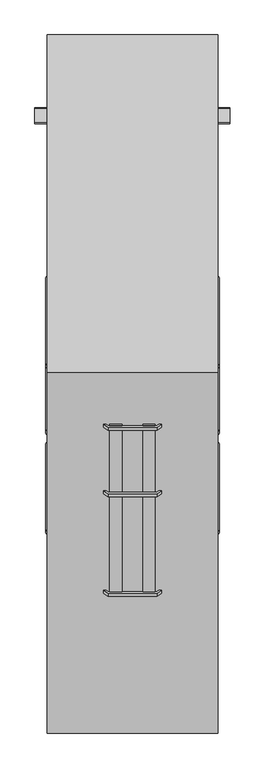
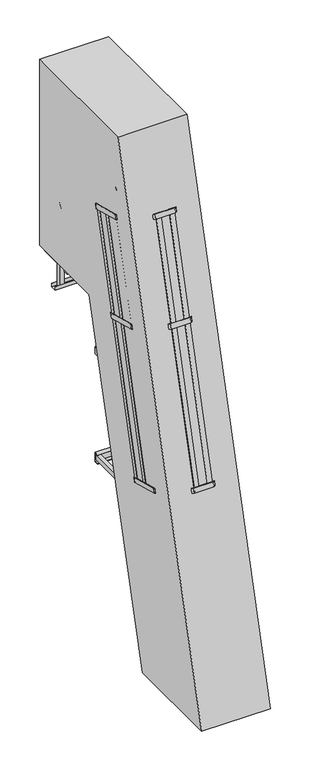
"""IFC4 building model written with IfcOpenShell, lengths in millimetres: proxy geometry."""

from ifc_helpers import new_model, si_unit, point, frame, frame_2d, origin, place, context, project, spatial, polyline, circle_curve, ellipse_curve, trimmed, segment, composite_curve, outline, extrude, faceted_brep, source, transform, mapped, element, save
from ifc_brep_helpers import plane_surface, cylinder_surface, revolved_surface, advanced_brep


def specialty_equipment_0b8a7647(model_context):
    return source(origin(), model_context, "Body", "SolidModel", [
        extrude(outline(polyline([(0.0, 0.0), (50.0, 0.0), (50.0, -12.0), (0.0, -12.0), (0.0, 0.0)])), frame((-350.5, -890.2131523, 2027.6512779), z_axis=(0.0, 0.2588190451025218, 0.9659258262890681), x_axis=(0.0, 0.9659258262890681, -0.2588190451025218)), (0.0, 0.0, 1.0), 2673.4666314),
        extrude(outline(polyline([(155.1413289, 0.0), (205.141329, 0.0), (205.141329, -12.0), (155.1413289, -12.0), (155.1413289, 0.0)])), frame((-350.5, -890.2131523, 2027.6512779), z_axis=(0.0, 0.2588190451025218, 0.9659258262890681), x_axis=(0.0, 0.9659258262890681, -0.2588190451025218)), (0.0, 0.0, 1.0), 2673.4666314),
        extrude(outline(polyline([(-689.6938017, 0.0), (-508.9999999, 0.0), (-326.6307118, -82.9303487), (-125.331423, -385.8857785), (-123.1191169, -480.465669), (-65.9701383, -566.4748818), (-70.9675427, -569.7954163), (-129.0768962, -482.3408392), (-131.2892023, -387.7609487), (-330.6777006, -87.6812588), (-510.3001578, -6.0), (-687.8821736, -6.0), (-851.4445075, -114.6792916), (-920.2481735, -278.3907082), (-914.5411146, -475.6303711), (-715.1526164, -775.710061), (-628.8173362, -814.3942877), (-570.7079827, -901.8488647), (-575.7053871, -905.1693992), (-632.8543656, -819.1601865), (-719.1896458, -780.4759598), (-920.4889347, -477.52053), (-926.2832673, -277.2646295), (-856.2739484, -110.6844828), (-689.6938017, 0.0)])), frame((-674.4464732, -521.7680377, 3557.8992312), z_axis=(0.0, 0.2588190451025218, 0.9659258262890681), x_axis=(-0.8329007332923329, 0.5345650026725307, -0.1432362607680447)), (0.0, 0.0, 1.0), 50.0),
        extrude(outline(polyline([(273.0, 0.0), (423.5, -100.0), (529.5, -270.0), (529.5, -633.7353379), (479.0, -713.7353379), (479.0, -817.0), (473.0, -817.0), (473.0, -712.0), (523.5, -632.0), (523.5, -271.7173421), (419.0965631, -104.2778679), (271.1883719, -6.0), (74.8116281, -6.0), (-73.0965631, -104.2778679), (-177.5, -271.7173421), (-177.5, -632.0), (-127.0, -712.0), (-127.0, -817.0), (-133.0, -817.0), (-133.0, -713.7353379), (-183.5, -633.7353379), (-183.5, -270.0), (-77.5, -100.0), (73.0, 0.0), (273.0, 0.0)])), frame((173.0, -1297.6973377, 2136.8363363), z_axis=(0.0, 0.2588190451025218, 0.9659258262890681), x_axis=(-1.0, 0.0, 0.0)), (0.0, 0.0, 1.0), 50.0),
        extrude(outline(polyline([(-6.6130211, 0.0), (5.3869788, 0.0), (5.3869788, -50.0), (-6.6130211, -50.0), (-6.6130211, 0.0)])), frame((-93.1883719, -1285.5140949, 2133.5718462), z_axis=(0.0, 0.2588190451025218, 0.9659258262890681), x_axis=(0.0, 0.9659258262890681, -0.2588190451025218)), (0.0, 0.0, 1.0), 2673.4666314),
        extrude(outline(polyline([(218.7828094, 218.028353), (212.433594, 228.2110571), (254.8615277, 254.6661216), (261.2107431, 244.4834176), (218.7828094, 218.028353)])), frame((-93.1883719, -1285.5140949, 2133.5718462), z_axis=(0.0, 0.2588190451025218, 0.9659258262890681), x_axis=(0.0, 0.9659258262890681, -0.2588190451025218)), (0.0, 0.0, 1.0), 2673.4666314),
        extrude(outline(polyline([(61.2266141, 107.0986509), (88.8977348, 148.7436876), (98.8925436, 142.1026186), (71.2214228, 100.4575819), (61.2266141, 107.0986509)])), frame((-93.1883719, -1285.5140949, 2133.5718462), z_axis=(0.0, 0.2588190451025218, 0.9659258262890681), x_axis=(0.0, 0.9659258262890681, -0.2588190451025218)), (0.0, 0.0, 1.0), 2673.4666314),
        extrude(outline(polyline([(-6.6130211, -186.3767438), (-6.6130211, -136.3767438), (5.3869788, -136.3767438), (5.3869788, -186.3767438), (-6.6130211, -186.3767438)])), frame((-93.1883719, -1285.5140949, 2133.5718462), z_axis=(0.0, 0.2588190451025218, 0.9659258262890681), x_axis=(0.0, 0.9659258262890681, -0.2588190451025218)), (0.0, 0.0, 1.0), 2673.4666314),
        extrude(outline(polyline([(218.7828094, -404.4050968), (261.2107431, -430.8601614), (254.8615277, -441.0428654), (212.433594, -414.5878009), (218.7828094, -404.4050968)])), frame((-93.1883719, -1285.5140949, 2133.5718462), z_axis=(0.0, 0.2588190451025218, 0.9659258262890681), x_axis=(0.0, 0.9659258262890681, -0.2588190451025218)), (0.0, 0.0, 1.0), 2673.4666314),
        extrude(outline(polyline([(61.2266141, -293.4753947), (71.2214228, -286.8343257), (98.8925436, -328.4793624), (88.8977348, -335.1204314), (61.2266141, -293.4753947)])), frame((-93.1883719, -1285.5140949, 2133.5718462), z_axis=(0.0, 0.2588190451025218, 0.9659258262890681), x_axis=(0.0, 0.9659258262890681, -0.2588190451025218)), (0.0, 0.0, 1.0), 2673.4666314),
        extrude(outline(polyline([(409.24565, -443.6883719), (409.24565, -431.6883719), (459.24565, -431.6883719), (459.24565, -443.6883719), (409.24565, -443.6883719)])), frame((-93.1883719, -1285.5140949, 2133.5718462), z_axis=(0.0, 0.2588190451025218, 0.9659258262890681), x_axis=(0.0, 0.9659258262890681, -0.2588190451025218)), (0.0, 0.0, 1.0), 2673.4666314),
        extrude(outline(polyline([(564.3869788, -443.6883719), (564.3869788, -431.6883719), (614.3869789, -431.6883719), (614.3869789, -443.6883719), (564.3869788, -443.6883719)])), frame((-93.1883719, -1285.5140949, 2133.5718462), z_axis=(0.0, 0.2588190451025218, 0.9659258262890681), x_axis=(0.0, 0.9659258262890681, -0.2588190451025218)), (0.0, 0.0, 1.0), 2673.4666314),
        extrude(outline(polyline([(-689.6938017, 0.0), (-509.0, 1e-07), (-326.6307118, -82.9303487), (-125.331423, -385.8857784), (-123.1191169, -480.465669), (-65.9701383, -566.4748818), (-70.9675427, -569.7954163), (-129.0768962, -482.3408392), (-131.2892023, -387.7609487), (-330.6777006, -87.6812587), (-510.3001578, -6.0), (-687.8821737, -5.9999999), (-851.4445076, -114.6792916), (-920.2481735, -278.3907081), (-914.5411146, -475.630371), (-715.1526164, -775.710061), (-628.8173362, -814.3942877), (-570.7079827, -901.8488647), (-575.7053871, -905.1693992), (-632.8543657, -819.1601864), (-719.1896459, -780.4759597), (-920.4889347, -477.52053), (-926.2832674, -277.2646294), (-856.2739484, -110.6844828), (-689.6938017, 0.0)])), frame((-674.4464732, -250.0080403, 4572.1213488), z_axis=(0.0, 0.2588190451025218, 0.965925826289068), x_axis=(-0.832900733292333, 0.5345650026725307, -0.1432362607680447)), (0.0, 0.0, 1.0), 50.0),
        extrude(outline(composite_curve([segment(polyline([(-216.6799282, 3198.1285392), (-212.2800044, 3214.5492783)]), True, "CONTINUOUS"), segment(trimmed(circle_curve(frame_2d((-193.903855, 3196.1966773)), 25.9711538), [point((-212.2800044, 3214.5492783))], [point((-168.8133422, 3202.9024213))], False, "CARTESIAN"), True, "CONTINUOUS"), segment(polyline([(-168.8133422, 3202.9024213), (-173.213266, 3186.4816822), (-216.6799282, 3198.1285392)]), True, "CONTINUOUS")], self_intersect=False)), frame((-262.0, 0.0, 0.0), z_axis=(1.0, 0.0, 0.0), x_axis=(0.0, 1.0, 0.0)), (0.0, 0.0, 1.0), 524.0),
        extrude(outline(composite_curve([segment(polyline([(-291.3619539, 2919.4114248), (-286.9620302, 2935.8321638)]), True, "CONTINUOUS"), segment(trimmed(circle_curve(frame_2d((-268.5858807, 2917.4795628)), 25.9711538), [point((-286.9620302, 2935.8321638))], [point((-243.495368, 2924.1853068))], False, "CARTESIAN"), True, "CONTINUOUS"), segment(polyline([(-243.495368, 2924.1853068), (-247.8952917, 2907.7645677), (-291.3619539, 2919.4114248)]), True, "CONTINUOUS")], self_intersect=False)), frame((-262.0, 0.0, 0.0), z_axis=(1.0, 0.0, 0.0), x_axis=(0.0, 1.0, 0.0)), (0.0, 0.0, 1.0), 524.0),
        extrude(outline(composite_curve([segment(polyline([(-366.0439797, 2640.6943103), (-361.6440559, 2657.1150493)]), True, "CONTINUOUS"), segment(trimmed(circle_curve(frame_2d((-343.2679065, 2638.7624483)), 25.9711538), [point((-361.6440559, 2657.1150493))], [point((-318.1773937, 2645.4681923))], False, "CARTESIAN"), True, "CONTINUOUS"), segment(polyline([(-318.1773937, 2645.4681923), (-322.5773175, 2629.0474533), (-366.0439797, 2640.6943103)]), True, "CONTINUOUS")], self_intersect=False)), frame((-262.0, 0.0, 0.0), z_axis=(1.0, 0.0, 0.0), x_axis=(0.0, 1.0, 0.0)), (0.0, 0.0, 1.0), 524.0),
        extrude(outline(composite_curve([segment(polyline([(-440.7260054, 2361.9771958), (-436.3260816, 2378.3979349)]), True, "CONTINUOUS"), segment(trimmed(circle_curve(frame_2d((-417.9499322, 2360.0453338)), 25.9711538), [point((-436.3260816, 2378.3979349))], [point((-392.8594195, 2366.7510778))], False, "CARTESIAN"), True, "CONTINUOUS"), segment(polyline([(-392.8594195, 2366.7510778), (-397.2593432, 2350.3303388), (-440.7260054, 2361.9771958)]), True, "CONTINUOUS")], self_intersect=False)), frame((-262.0, 0.0, 0.0), z_axis=(1.0, 0.0, 0.0), x_axis=(0.0, 1.0, 0.0)), (0.0, 0.0, 1.0), 524.0),
        extrude(outline(composite_curve([segment(polyline([(-515.4080312, 2083.2600813), (-511.0081074, 2099.6808204)]), True, "CONTINUOUS"), segment(trimmed(circle_curve(frame_2d((-492.6319579, 2081.3282194)), 25.9711538), [point((-511.0081074, 2099.6808204))], [point((-467.5414452, 2088.0339633))], False, "CARTESIAN"), True, "CONTINUOUS"), segment(polyline([(-467.5414452, 2088.0339633), (-471.941369, 2071.6132243), (-515.4080312, 2083.2600813)]), True, "CONTINUOUS")], self_intersect=False)), frame((-262.0, 0.0, 0.0), z_axis=(1.0, 0.0, 0.0), x_axis=(0.0, 1.0, 0.0)), (0.0, 0.0, 1.0), 524.0),
        extrude(outline(composite_curve([segment(polyline([(-590.0900569, 1804.5429669), (-585.6901331, 1820.9637059)]), True, "CONTINUOUS"), segment(trimmed(circle_curve(frame_2d((-567.3139837, 1802.6111049)), 25.9711538), [point((-585.6901331, 1820.9637059))], [point((-542.2234709, 1809.3168489))], False, "CARTESIAN"), True, "CONTINUOUS"), segment(polyline([(-542.2234709, 1809.3168489), (-546.6233947, 1792.8961098), (-590.0900569, 1804.5429669)]), True, "CONTINUOUS")], self_intersect=False)), frame((-262.0, 0.0, 0.0), z_axis=(1.0, 0.0, 0.0), x_axis=(0.0, 1.0, 0.0)), (0.0, 0.0, 1.0), 524.0),
        extrude(outline(composite_curve([segment(polyline([(-664.7720826, 1525.8258524), (-660.3721589, 1542.2465914)]), True, "CONTINUOUS"), segment(trimmed(circle_curve(frame_2d((-641.9960094, 1523.8939904)), 25.9711538), [point((-660.3721589, 1542.2465914))], [point((-616.9054967, 1530.5997344))], False, "CARTESIAN"), True, "CONTINUOUS"), segment(polyline([(-616.9054967, 1530.5997344), (-621.3054205, 1514.1789953), (-664.7720826, 1525.8258524)]), True, "CONTINUOUS")], self_intersect=False)), frame((-262.0, 0.0, 0.0), z_axis=(1.0, 0.0, 0.0), x_axis=(0.0, 1.0, 0.0)), (0.0, 0.0, 1.0), 524.0),
        extrude(outline(composite_curve([segment(polyline([(-739.4541084, 1247.1087379), (-735.0541846, 1263.5294769)]), True, "CONTINUOUS"), segment(trimmed(circle_curve(frame_2d((-716.6780352, 1245.1768759)), 25.9711538), [point((-735.0541846, 1263.5294769))], [point((-691.5875224, 1251.8826199))], False, "CARTESIAN"), True, "CONTINUOUS"), segment(polyline([(-691.5875224, 1251.8826199), (-695.9874462, 1235.4618809), (-739.4541084, 1247.1087379)]), True, "CONTINUOUS")], self_intersect=False)), frame((-262.0, 0.0, 0.0), z_axis=(1.0, 0.0, 0.0), x_axis=(0.0, 1.0, 0.0)), (0.0, 0.0, 1.0), 524.0),
        extrude(outline(composite_curve([segment(polyline([(-814.1361341, 968.3916234), (-809.7362104, 984.8123625)]), True, "CONTINUOUS"), segment(trimmed(circle_curve(frame_2d((-791.3600609, 966.4597614)), 25.9711538), [point((-809.7362104, 984.8123625))], [point((-766.2695482, 973.1655054))], False, "CARTESIAN"), True, "CONTINUOUS"), segment(polyline([(-766.2695482, 973.1655054), (-770.6694719, 956.7447664), (-814.1361341, 968.3916234)]), True, "CONTINUOUS")], self_intersect=False)), frame((-262.0, 0.0, 0.0), z_axis=(1.0, 0.0, 0.0), x_axis=(0.0, 1.0, 0.0)), (0.0, 0.0, 1.0), 524.0),
        extrude(outline(composite_curve([segment(polyline([(-888.8181599, 689.6745089), (-884.4182361, 706.095248)]), True, "CONTINUOUS"), segment(trimmed(circle_curve(frame_2d((-866.0420867, 687.742647)), 25.9711538), [point((-884.4182361, 706.095248))], [point((-840.9515739, 694.448391))], False, "CARTESIAN"), True, "CONTINUOUS"), segment(polyline([(-840.9515739, 694.448391), (-845.3514977, 678.0276519), (-888.8181599, 689.6745089)]), True, "CONTINUOUS")], self_intersect=False)), frame((-262.0, 0.0, 0.0), z_axis=(1.0, 0.0, 0.0), x_axis=(0.0, 1.0, 0.0)), (0.0, 0.0, 1.0), 524.0),
        extrude(outline(composite_curve([segment(polyline([(-963.5001856, 410.9573945), (-959.1002618, 427.3781335)]), True, "CONTINUOUS"), segment(trimmed(circle_curve(frame_2d((-940.7241124, 409.0255325)), 25.9711538), [point((-959.1002618, 427.3781335))], [point((-915.6335997, 415.7312765))], False, "CARTESIAN"), True, "CONTINUOUS"), segment(polyline([(-915.6335997, 415.7312765), (-920.0335234, 399.3105374), (-963.5001856, 410.9573945)]), True, "CONTINUOUS")], self_intersect=False)), frame((-262.0, 0.0, 0.0), z_axis=(1.0, 0.0, 0.0), x_axis=(0.0, 1.0, 0.0)), (0.0, 0.0, 1.0), 524.0),
        extrude(outline(composite_curve([segment(polyline([(-141.9979024, 3476.8456537), (-137.5979787, 3493.2663928)]), True, "CONTINUOUS"), segment(trimmed(circle_curve(frame_2d((-119.2218292, 3474.9137918)), 25.9711538), [point((-137.5979787, 3493.2663928))], [point((-94.1313165, 3481.6195357))], False, "CARTESIAN"), True, "CONTINUOUS"), segment(polyline([(-94.1313165, 3481.6195357), (-98.5312403, 3465.1987967), (-141.9979024, 3476.8456537)]), True, "CONTINUOUS")], self_intersect=False)), frame((-262.0, 0.0, 0.0), z_axis=(1.0, 0.0, 0.0), x_axis=(0.0, 1.0, 0.0)), (0.0, 0.0, 1.0), 524.0),
        extrude(outline(composite_curve([segment(polyline([(-1038.1822113, 132.24028), (-1033.7822876, 148.661019)]), True, "CONTINUOUS"), segment(trimmed(circle_curve(frame_2d((-1015.4061381, 130.308418)), 25.9711538), [point((-1033.7822876, 148.661019))], [point((-990.3156254, 137.014162))], False, "CARTESIAN"), True, "CONTINUOUS"), segment(polyline([(-990.3156254, 137.014162), (-994.7155492, 120.5934229), (-1038.1822113, 132.24028)]), True, "CONTINUOUS")], self_intersect=False)), frame((-262.0, 0.0, 0.0), z_axis=(1.0, 0.0, 0.0), x_axis=(0.0, 1.0, 0.0)), (0.0, 0.0, 1.0), 524.0),
        extrude(outline(polyline([(-38.0, 0.0), (0.0, 0.0), (0.0, -58.0), (-38.0, -58.0), (-38.0, 0.0)])), frame((262.0, -1075.5190146, 18.0115046), z_axis=(0.0, 0.2588190451025084, 0.9659258262890716), x_axis=(-1.0, 0.0, 0.0)), (0.0, 0.0, 1.0), 4662.5902763),
        extrude(outline(polyline([(-38.0, 0.0), (0.0, 0.0), (0.0, -58.0), (-38.0, -58.0), (-38.0, 0.0)])), frame((-300.0, -1075.5190146, 18.0115046), z_axis=(0.0, 0.2588190451025084, 0.9659258262890716), x_axis=(-1.0, 0.0, 0.0)), (0.0, 0.0, 1.0), 4662.5902763),
        faceted_brep([(-303.5, -1270.3221735, 0.0), (-250.5, -1270.3221735, 0.0), (-250.5, -1270.3221735, 3.0), (-300.5, -1270.3221735, 3.0), (-303.5, -1270.3221735, 3.0), (-300.5, -910.3221735, 3.0), (-250.5, -910.3221735, 3.0), (-250.5, -910.3221735, 0.0), (-303.5, -910.3221735, 0.0), (-303.5, -910.3221735, 3.0), (-300.5, -1223.3221735, 50.0), (-300.5, -957.3221735, 50.0), (-303.5, -957.3221735, 50.0), (-303.5, -1223.3221735, 50.0)], [[[0, 1, 2, 3, 4]], [[5, 6, 7, 8, 9]], [[10, 11, 12, 13]], [[8, 0, 4, 13, 12, 9]], [[1, 0, 8, 7]], [[2, 1, 7, 6]], [[3, 2, 6, 5]], [[3, 5, 11, 10]], [[5, 9, 12, 11]], [[4, 3, 10, 13]]]),
        faceted_brep([(300.5, -1270.3221735, 3.0), (250.5, -1270.3221735, 3.0), (250.5, -1270.3221735, 0.0), (303.5, -1270.3221735, 0.0), (303.5, -1270.3221735, 3.0), (303.5, -910.3221735, 0.0), (250.5, -910.3221735, 0.0), (250.5, -910.3221735, 3.0), (300.5, -910.3221735, 3.0), (303.5, -910.3221735, 3.0), (303.5, -957.3221735, 50.0), (303.5, -1223.3221735, 50.0), (300.5, -957.3221735, 50.0), (300.5, -1223.3221735, 50.0)], [[[0, 1, 2, 3, 4]], [[5, 6, 7, 8, 9]], [[1, 0, 8, 7]], [[2, 1, 7, 6]], [[3, 2, 6, 5]], [[3, 5, 9, 10, 11, 4]], [[11, 10, 12, 13]], [[8, 0, 13, 12]], [[9, 8, 12, 10]], [[0, 4, 11, 13]]]),
        extrude(outline(polyline([(300.0, 1000.0), (300.0, -80.0), (-300.0, -80.0), (-300.0, 1000.0), (300.0, 1000.0)]), holes=[polyline([(262.0, 962.0), (-262.0, 962.0), (-262.0, -42.0), (262.0, -42.0), (262.0, 962.0)])]), frame((0.0, 0.0, 3424.2375855), z_axis=(0.0, 0.0, 1.0), x_axis=(1.0, 0.0, 0.0)), (0.0, 0.0, 1.0), 57.2624145),
        extrude(outline(polyline([(702.5, 3288.0), (702.5, 3250.0), (637.5, 3250.0), (637.5, 3288.0), (640.5, 3288.0), (640.5, 3253.0), (699.5, 3253.0), (699.5, 3288.0), (702.5, 3288.0)])), frame((-400.0, 0.0, 0.0), z_axis=(1.0, 0.0, 0.0), x_axis=(0.0, 1.0, 0.0)), (0.0, 0.0, 1.0), 800.0),
        extrude(outline(polyline([(347.5, 699.0), (347.5, 641.0), (309.5, 641.0), (309.5, 699.0), (347.5, 699.0)])), frame((0.0, 0.0, 3253.0), z_axis=(0.0, 0.0, 1.0), x_axis=(1.0, 0.0, 0.0)), (0.0, 0.0, 1.0), 247.0),
        extrude(outline(polyline([(347.5, 699.0), (347.5, 641.0), (309.5, 641.0), (309.5, 699.0), (347.5, 699.0)])), frame((0.0, 0.0, 3253.0), z_axis=(0.0, 0.0, 1.0), x_axis=(1.0, 0.0, 0.0)), (0.0, 0.0, 1.0), 247.0),
        extrude(outline(polyline([(-309.5, 699.0), (-309.5, 641.0), (-347.5, 641.0), (-347.5, 699.0), (-309.5, 699.0)])), frame((0.0, 0.0, 3253.0), z_axis=(0.0, 0.0, 1.0), x_axis=(1.0, 0.0, 0.0)), (0.0, 0.0, 1.0), 247.0),
        extrude(outline(polyline([(-309.5, 699.0), (-309.5, 641.0), (-347.5, 641.0), (-347.5, 699.0), (-309.5, 699.0)])), frame((0.0, 0.0, 3253.0), z_axis=(0.0, 0.0, 1.0), x_axis=(1.0, 0.0, 0.0)), (0.0, 0.0, 1.0), 247.0),
        extrude(outline(polyline([(300.0, 1000.0), (300.0, -80.0), (-300.0, -80.0), (-300.0, 1000.0), (300.0, 1000.0)])), frame((0.0, 0.0, 3481.5), z_axis=(0.0, 0.0, 1.0), x_axis=(1.0, 0.0, 0.0)), (0.0, 0.0, 1.0), 18.5),
        extrude(outline(polyline([(0.0, -75.0156698), (0.0, 0.0), (6.0, 0.0), (6.0, -75.0156698), (0.0, -75.0156698)])), frame((300.0, -18.0012303, 3424.2375855), z_axis=(0.0, -0.22820939732088105, 0.9736120741724809), x_axis=(1.0, 0.0, 0.0)), (0.0, 0.0, 1.0), 56.5477611),
        extrude(outline(polyline([(0.0, -75.0156698), (0.0, 0.0), (6.0, 0.0), (6.0, -75.0156698), (0.0, -75.0156698)])), frame((-300.0, -91.0373922, 3407.1183047), z_axis=(0.0, -0.22820939732088125, 0.9736120741724809), x_axis=(-1.0, 0.0, 0.0)), (0.0, 0.0, 1.0), 56.5477611),
        extrude(outline(polyline([(300.0, 590.0), (300.0, 750.0), (309.5, 750.0), (309.5, 590.0), (300.0, 590.0)])), frame((0.0, 0.0, 3420.0), z_axis=(0.0, 0.0, 1.0), x_axis=(1.0, 0.0, 0.0)), (0.0, 0.0, 1.0), 80.0),
        extrude(outline(polyline([(300.0, 590.0), (300.0, 750.0), (309.5, 750.0), (309.5, 590.0), (300.0, 590.0)])), frame((0.0, 0.0, 3420.0), z_axis=(0.0, 0.0, 1.0), x_axis=(1.0, 0.0, 0.0)), (0.0, 0.0, 1.0), 80.0),
        extrude(outline(polyline([(-300.0, 750.0), (-300.0, 590.0), (-309.5, 590.0), (-309.5, 750.0), (-300.0, 750.0)])), frame((0.0, 0.0, 3420.0), z_axis=(0.0, 0.0, 1.0), x_axis=(1.0, 0.0, 0.0)), (0.0, 0.0, 1.0), 80.0),
        extrude(outline(polyline([(-300.0, 750.0), (-300.0, 590.0), (-309.5, 590.0), (-309.5, 750.0), (-300.0, 750.0)])), frame((0.0, 0.0, 3420.0), z_axis=(0.0, 0.0, 1.0), x_axis=(1.0, 0.0, 0.0)), (0.0, 0.0, 1.0), 80.0),
        extrude(outline(polyline([(262.0, 540.5), (262.0, 502.5), (-262.0, 502.5), (-262.0, 540.5), (262.0, 540.5)])), frame((0.0, 0.0, 3423.5), z_axis=(0.0, 0.0, 1.0), x_axis=(1.0, 0.0, 0.0)), (0.0, 0.0, 1.0), 58.0),
        extrude(outline(polyline([(306.5, 100.0), (306.5, -272.7695155), (300.5, -272.7695155), (300.5, 95.0), (-300.5, 95.0), (-300.5, -272.7695155), (-306.5, -272.7695155), (-306.5, 100.0), (306.5, 100.0)])), frame((0.0, 0.0, 2860.0), z_axis=(0.0, 0.0, 1.0), x_axis=(1.0, 0.0, 0.0)), (0.0, 0.0, 1.0), 80.0),
        advanced_brep(
        [(281.5, 175.7671231, 4462.0), (300.5, 180.8581578, 4481.0), (281.5, 185.9491924, 4500.0), (300.5, 57.0656309, 4019.0), (281.5, 62.1566655, 4038.0), (281.5, 51.9745962, 4000.0), (281.5, 618.0, 4462.0), (281.5, 618.0, 4500.0), (281.5, 724.0, 4356.0), (281.5, 762.0, 4356.0), (281.5, 724.0, 4144.0), (281.5, 762.0, 4144.0), (281.5, 618.0, 4038.0), (281.5, 618.0, 4000.0)],
        [
            (0, 1, ellipse_curve(frame((281.5, 180.8581578, 4481.0), z_axis=(0.0, -0.9659258262890689, 0.25881904510251885), x_axis=(0.0, -0.25881904510251846, -0.9659258262890689)), 19.6702474, 19.0)),
            (1, 2, ellipse_curve(frame((281.5, 180.8581578, 4481.0), z_axis=(0.0, -0.9659258262890689, 0.25881904510251885), x_axis=(0.0, -0.25881904510251846, -0.9659258262890689)), 19.6702474, 19.0)),
            (2, 0, ellipse_curve(frame((281.5, 180.8581578, 4481.0), z_axis=(0.0, -0.9659258262890689, 0.25881904510251885), x_axis=(0.0, -0.25881904510251846, -0.9659258262890689)), 19.6702474, 19.0)),
            (3, 4, ellipse_curve(frame((281.5, 57.0656309, 4019.0), z_axis=(0.0, -0.9659258262890689, 0.25881904510251885), x_axis=(0.0, 0.25881904510251846, 0.9659258262890689)), 19.6702474, 19.0)),
            (4, 5, ellipse_curve(frame((281.5, 57.0656309, 4019.0), z_axis=(0.0, -0.9659258262890689, 0.25881904510251885), x_axis=(0.0, 0.25881904510251846, 0.9659258262890689)), 19.6702474, 19.0)),
            (5, 3, ellipse_curve(frame((281.5, 57.0656309, 4019.0), z_axis=(0.0, -0.9659258262890689, 0.25881904510251885), x_axis=(0.0, 0.25881904510251846, 0.9659258262890689)), 19.6702474, 19.0)),
            (6, 7, circle_curve(frame((281.5, 618.0, 4481.0), z_axis=(0.0, -1.0, 0.0), x_axis=(0.0, 0.0, 1.0)), 19.0)),
            (7, 2),
            (0, 6),
            (7, 6, circle_curve(frame((281.5, 618.0, 4481.0), z_axis=(0.0, -1.0, 0.0), x_axis=(0.0, 0.0, 1.0)), 19.0)),
            (6, 8, circle_curve(frame((281.5, 618.0, 4356.0), z_axis=(-1.0, 0.0, 0.0), x_axis=(0.0, 0.0, 1.0)), 106.0)),
            (8, 9, circle_curve(frame((281.5, 743.0, 4356.0), z_axis=(0.0, 0.0, 1.0), x_axis=(0.0, 1.0, 0.0)), 19.0)),
            (9, 7, circle_curve(frame((281.5, 618.0, 4356.0), z_axis=(1.0, 0.0, 0.0), x_axis=(0.0, 0.0, 1.0)), 144.0)),
            (9, 8, circle_curve(frame((281.5, 743.0, 4356.0), z_axis=(0.0, 0.0, 1.0), x_axis=(0.0, 1.0, 0.0)), 19.0)),
            (8, 10),
            (10, 11, circle_curve(frame((281.5, 743.0, 4144.0), z_axis=(0.0, 0.0, 1.0), x_axis=(0.0, 1.0, 0.0)), 19.0)),
            (11, 9),
            (11, 10, circle_curve(frame((281.5, 743.0, 4144.0), z_axis=(0.0, 0.0, 1.0), x_axis=(0.0, 1.0, 0.0)), 19.0)),
            (10, 12, circle_curve(frame((281.5, 618.0, 4144.0), z_axis=(-1.0, 0.0, 0.0), x_axis=(0.0, 1.0, 0.0)), 106.0)),
            (12, 13, circle_curve(frame((281.5, 618.0, 4019.0), z_axis=(0.0, 1.0, 0.0), x_axis=(0.0, 0.0, -1.0)), 19.0)),
            (13, 11, circle_curve(frame((281.5, 618.0, 4144.0), z_axis=(1.0, 0.0, 0.0), x_axis=(0.0, 1.0, 0.0)), 144.0)),
            (13, 12, circle_curve(frame((281.5, 618.0, 4019.0), z_axis=(0.0, 1.0, 0.0), x_axis=(0.0, 0.0, -1.0)), 19.0)),
            (12, 4),
            (5, 13),
        ],
        [
            plane_surface(frame((300.5, 0.0, 3806.0281662), z_axis=(0.0, -0.9659258262890689, 0.25881904510251885), x_axis=(-1.0, 0.0, 0.0))),
            cylinder_surface(frame((281.5, 106.4441506, 4481.0), z_axis=(0.0, -1.0, 0.0), x_axis=(0.0, 0.0, 1.0)), 19.0),
            revolved_surface(trimmed(ellipse_curve(frame((281.5, 618.0, 4481.0), z_axis=(0.0, -1.0, 0.0), x_axis=(0.0, 0.0, 1.0)), 19.0, 19.0), [point((281.5, 618.0, 4462.0))], [point((281.5, 618.0, 4500.0))], True, "CARTESIAN"), (281.5, 618.0, 4356.0), (-1.0, 0.0, 0.0)),
            revolved_surface(trimmed(ellipse_curve(frame((281.5, 618.0, 4481.0), z_axis=(0.0, -1.0, 0.0), x_axis=(0.0, 0.0, 1.0)), 19.0, 19.0), [point((281.5, 618.0, 4500.0))], [point((281.5, 618.0, 4462.0))], True, "CARTESIAN"), (281.5, 618.0, 4356.0), (-1.0, 0.0, 0.0)),
            cylinder_surface(frame((281.5, 743.0, 4356.0), z_axis=(0.0, 0.0, 1.0), x_axis=(0.0, 1.0, 0.0)), 19.0),
            revolved_surface(trimmed(ellipse_curve(frame((281.5, 743.0, 4144.0), z_axis=(0.0, 0.0, 1.0), x_axis=(0.0, 1.0, 0.0)), 19.0, 19.0), [point((281.5, 724.0, 4144.0))], [point((281.5, 762.0, 4144.0))], True, "CARTESIAN"), (281.5, 618.0, 4144.0), (-1.0, 0.0, 0.0)),
            revolved_surface(trimmed(ellipse_curve(frame((281.5, 743.0, 4144.0), z_axis=(0.0, 0.0, 1.0), x_axis=(0.0, 1.0, 0.0)), 19.0, 19.0), [point((281.5, 762.0, 4144.0))], [point((281.5, 724.0, 4144.0))], True, "CARTESIAN"), (281.5, 618.0, 4144.0), (-1.0, 0.0, 0.0)),
            cylinder_surface(frame((281.5, 618.0, 4019.0), z_axis=(0.0, 1.0, 0.0), x_axis=(0.0, 0.0, -1.0)), 19.0),
        ],
        [
            (0, [[1, 2, 3]]),
            (0, [[4, 5, 6]]),
            (1, [[7, 8, -2, -1, 9]]),
            (1, [[10, -9, -3, -8]]),
            (2, [[-7, 11, 12, 13]]),
            (3, [[-10, -13, 14, -11]]),
            (4, [[-12, 15, 16, 17]]),
            (4, [[-14, -17, 18, -15]]),
            (5, [[-16, 19, 20, 21]]),
            (6, [[-18, -21, 22, -19]]),
            (7, [[-20, 23, -4, -6, 24]]),
            (7, [[-22, -24, -5, -23]]),
        ],
    ),
        advanced_brep(
        [(-281.5, 618.0, 4500.0), (-281.5, 618.0, 4462.0), (-281.5, 175.7671231, 4462.0), (-300.5, 180.8581578, 4481.0), (-281.5, 185.9491924, 4500.0), (-281.5, 762.0, 4356.0), (-281.5, 724.0, 4356.0), (-281.5, 762.0, 4144.0), (-281.5, 724.0, 4144.0), (-281.5, 618.0, 4000.0), (-281.5, 618.0, 4038.0), (-281.5, 51.9745962, 4000.0), (-300.5, 57.0656309, 4019.0), (-281.5, 62.1566655, 4038.0)],
        [
            (0, 1, circle_curve(frame((-281.5, 618.0, 4481.0), z_axis=(0.0, -1.0, 0.0), x_axis=(0.0, 0.0, -1.0)), 19.0)),
            (1, 2),
            (2, 3, ellipse_curve(frame((-281.5, 180.8581578, 4481.0), z_axis=(0.0, 0.9659258262890689, -0.25881904510251885), x_axis=(0.0, -0.25881904510251846, -0.9659258262890689)), 19.6702474, 19.0)),
            (3, 4, ellipse_curve(frame((-281.5, 180.8581578, 4481.0), z_axis=(0.0, 0.9659258262890689, -0.25881904510251885), x_axis=(0.0, -0.25881904510251846, -0.9659258262890689)), 19.6702474, 19.0)),
            (4, 0),
            (1, 0, circle_curve(frame((-281.5, 618.0, 4481.0), z_axis=(0.0, -1.0, 0.0), x_axis=(0.0, 0.0, -1.0)), 19.0)),
            (4, 2, ellipse_curve(frame((-281.5, 180.8581578, 4481.0), z_axis=(0.0, 0.9659258262890689, -0.25881904510251885), x_axis=(0.0, -0.25881904510251846, -0.9659258262890689)), 19.6702474, 19.0)),
            (0, 5, circle_curve(frame((-281.5, 618.0, 4356.0), z_axis=(-1.0, 0.0, 0.0), x_axis=(0.0, 0.0, 1.0)), 144.0)),
            (5, 6, circle_curve(frame((-281.5, 743.0, 4356.0), z_axis=(0.0, 0.0, 1.0), x_axis=(0.0, -1.0, 0.0)), 19.0)),
            (6, 1, circle_curve(frame((-281.5, 618.0, 4356.0), z_axis=(1.0, 0.0, 0.0), x_axis=(0.0, 0.0, 1.0)), 106.0)),
            (6, 5, circle_curve(frame((-281.5, 743.0, 4356.0), z_axis=(0.0, 0.0, 1.0), x_axis=(0.0, -1.0, 0.0)), 19.0)),
            (5, 7),
            (7, 8, circle_curve(frame((-281.5, 743.0, 4144.0), z_axis=(0.0, 0.0, 1.0), x_axis=(0.0, -1.0, 0.0)), 19.0)),
            (8, 6),
            (8, 7, circle_curve(frame((-281.5, 743.0, 4144.0), z_axis=(0.0, 0.0, 1.0), x_axis=(0.0, -1.0, 0.0)), 19.0)),
            (7, 9, circle_curve(frame((-281.5, 618.0, 4144.0), z_axis=(-1.0, 0.0, 0.0), x_axis=(0.0, 1.0, 0.0)), 144.0)),
            (9, 10, circle_curve(frame((-281.5, 618.0, 4019.0), z_axis=(0.0, 1.0, 0.0), x_axis=(0.0, 0.0, 1.0)), 19.0)),
            (10, 8, circle_curve(frame((-281.5, 618.0, 4144.0), z_axis=(1.0, 0.0, 0.0), x_axis=(0.0, 1.0, 0.0)), 106.0)),
            (10, 9, circle_curve(frame((-281.5, 618.0, 4019.0), z_axis=(0.0, 1.0, 0.0), x_axis=(0.0, 0.0, 1.0)), 19.0)),
            (9, 11),
            (11, 12, ellipse_curve(frame((-281.5, 57.0656309, 4019.0), z_axis=(0.0, 0.9659258262890689, -0.25881904510251885), x_axis=(0.0, 0.25881904510251846, 0.9659258262890689)), 19.6702474, 19.0)),
            (12, 13, ellipse_curve(frame((-281.5, 57.0656309, 4019.0), z_axis=(0.0, 0.9659258262890689, -0.25881904510251885), x_axis=(0.0, 0.25881904510251846, 0.9659258262890689)), 19.6702474, 19.0)),
            (13, 10),
            (13, 11, ellipse_curve(frame((-281.5, 57.0656309, 4019.0), z_axis=(0.0, 0.9659258262890689, -0.25881904510251885), x_axis=(0.0, 0.25881904510251846, 0.9659258262890689)), 19.6702474, 19.0)),
        ],
        [
            cylinder_surface(frame((-281.5, 106.4441506, 4481.0), z_axis=(0.0, -1.0, 0.0), x_axis=(0.0, 0.0, -1.0)), 19.0),
            revolved_surface(trimmed(ellipse_curve(frame((-281.5, 618.0, 4481.0), z_axis=(0.0, -1.0, 0.0), x_axis=(0.0, 0.0, -1.0)), 19.0, 19.0), [point((-281.5, 618.0, 4500.0))], [point((-281.5, 618.0, 4462.0))], True, "CARTESIAN"), (-281.5, 618.0, 4356.0), (-1.0, 0.0, 0.0)),
            revolved_surface(trimmed(ellipse_curve(frame((-281.5, 618.0, 4481.0), z_axis=(0.0, -1.0, 0.0), x_axis=(0.0, 0.0, -1.0)), 19.0, 19.0), [point((-281.5, 618.0, 4462.0))], [point((-281.5, 618.0, 4500.0))], True, "CARTESIAN"), (-281.5, 618.0, 4356.0), (-1.0, 0.0, 0.0)),
            cylinder_surface(frame((-281.5, 743.0, 4356.0), z_axis=(0.0, 0.0, 1.0), x_axis=(0.0, -1.0, 0.0)), 19.0),
            revolved_surface(trimmed(ellipse_curve(frame((-281.5, 743.0, 4144.0), z_axis=(0.0, 0.0, 1.0), x_axis=(0.0, -1.0, 0.0)), 19.0, 19.0), [point((-281.5, 762.0, 4144.0))], [point((-281.5, 724.0, 4144.0))], True, "CARTESIAN"), (-281.5, 618.0, 4144.0), (-1.0, 0.0, 0.0)),
            revolved_surface(trimmed(ellipse_curve(frame((-281.5, 743.0, 4144.0), z_axis=(0.0, 0.0, 1.0), x_axis=(0.0, -1.0, 0.0)), 19.0, 19.0), [point((-281.5, 724.0, 4144.0))], [point((-281.5, 762.0, 4144.0))], True, "CARTESIAN"), (-281.5, 618.0, 4144.0), (-1.0, 0.0, 0.0)),
            cylinder_surface(frame((-281.5, 618.0, 4019.0), z_axis=(0.0, 1.0, 0.0), x_axis=(0.0, 0.0, 1.0)), 19.0),
            plane_surface(frame((300.5, 0.0, 3806.0281662), z_axis=(0.0, -0.9659258262890689, 0.25881904510251885), x_axis=(-1.0, 0.0, 0.0))),
        ],
        [
            (0, [[1, 2, 3, 4, 5]]),
            (0, [[6, -5, 7, -2]]),
            (1, [[-1, 8, 9, 10]]),
            (2, [[-6, -10, 11, -8]]),
            (3, [[-9, 12, 13, 14]]),
            (3, [[-11, -14, 15, -12]]),
            (4, [[-13, 16, 17, 18]]),
            (5, [[-15, -18, 19, -16]]),
            (6, [[-17, 20, 21, 22, 23]]),
            (6, [[-19, -23, 24, -20]]),
            (7, [[-4, -3, -7]]),
            (7, [[-21, -24, -22]]),
        ],
    ),
        extrude(outline(polyline([(-813.2439282, 0.0), (-1856.802318, 0.0), (-383.0817597, 5500.0), (1000.0, 5500.0), (1000.0, 3500.0), (124.5782453, 3500.0), (-813.2439282, 0.0)])), frame((-350.0, 0.0, 0.0), z_axis=(1.0, 0.0, 0.0), x_axis=(0.0, 1.0, 0.0)), (0.0, 0.0, 1.0), 700.0),
        extrude(outline(polyline([(100.0, 1800.0), (100.0, 1700.0), (55.0, 1700.0), (55.0, 1705.0), (95.0, 1705.0), (95.0, 1795.0), (55.0, 1795.0), (55.0, 1800.0), (100.0, 1800.0)])), frame((-306.5, 0.0, 0.0), z_axis=(1.0, 0.0, 0.0), x_axis=(0.0, 1.0, 0.0)), (0.0, 0.0, 1.0), 613.0),
        extrude(outline(polyline([(306.5, -530.9110868), (306.5, -580.9110868), (300.5, -580.9110868), (300.5, -530.9110868), (306.5, -530.9110868)])), frame((0.0, 0.0, 1721.0), z_axis=(0.0, 0.0, 1.0), x_axis=(1.0, 0.0, 0.0)), (0.0, 0.0, 1.0), 58.0),
        extrude(outline(polyline([(-306.5, -580.9110868), (-306.5, -530.9110868), (-300.5, -530.9110868), (-300.5, -580.9110868), (-306.5, -580.9110868)])), frame((0.0, 0.0, 1721.0), z_axis=(0.0, 0.0, 1.0), x_axis=(1.0, 0.0, 0.0)), (0.0, 0.0, 1.0), 58.0),
        extrude(outline(polyline([(300.5, 95.0), (300.5, -543.6175509), (262.5, -543.6175509), (262.5, 95.0), (300.5, 95.0)])), frame((0.0, 0.0, 1721.0), z_axis=(0.0, 0.0, 1.0), x_axis=(1.0, 0.0, 0.0)), (0.0, 0.0, 1.0), 58.0),
        extrude(outline(polyline([(-262.5, 95.0), (-262.5, -543.6175509), (-300.5, -543.6175509), (-300.5, 95.0), (-262.5, 95.0)])), frame((0.0, 0.0, 1721.0), z_axis=(0.0, 0.0, 1.0), x_axis=(1.0, 0.0, 0.0)), (0.0, 0.0, 1.0), 58.0),
    ])


if __name__ == "__main__":
    model = new_model("IFC4")
    model_context = context("Model", 3, world=origin())
    ifc_project = project(units=[si_unit("LENGTHUNIT", "METRE", prefix="MILLI")], contexts=[model_context])
    site = spatial("IfcSite", under=ifc_project)
    building = spatial("IfcBuilding", under=site)
    placement = place(None, origin())
    specialty_equipment_shape = specialty_equipment_0b8a7647(model_context)
    element("IfcBuildingElementProxy", 1, Name="Specialty Equipment", at=placement, inside=building, context=model_context, shape_type="MappedRepresentation", body=[
        mapped(specialty_equipment_shape, transform((0.0, 0.0, 0.0), x_axis=(1.0, 0.0, 0.0), y_axis=(0.0, 1.0, 0.0), z_axis=(0.0, 0.0, 1.0))),
    ])
    save(model, "model.ifc")
